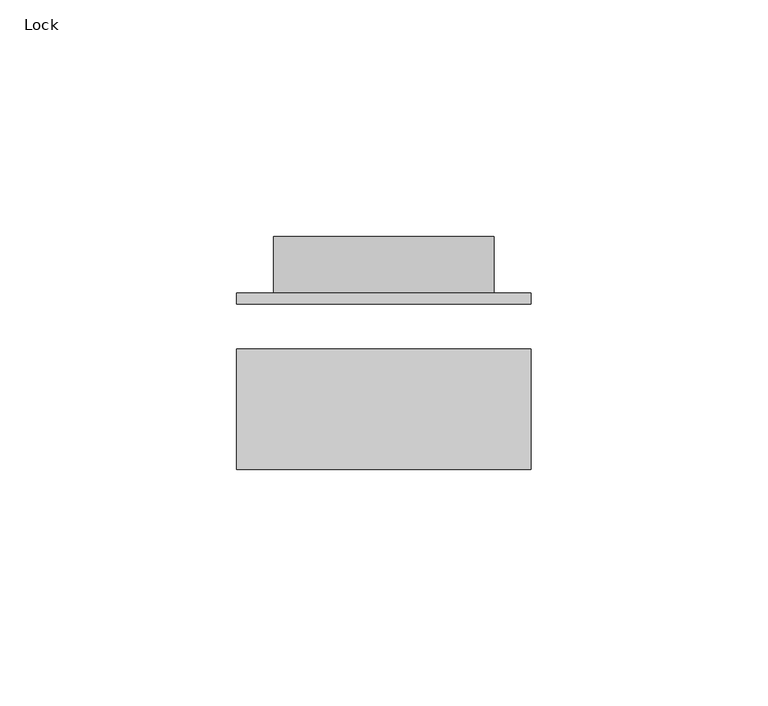
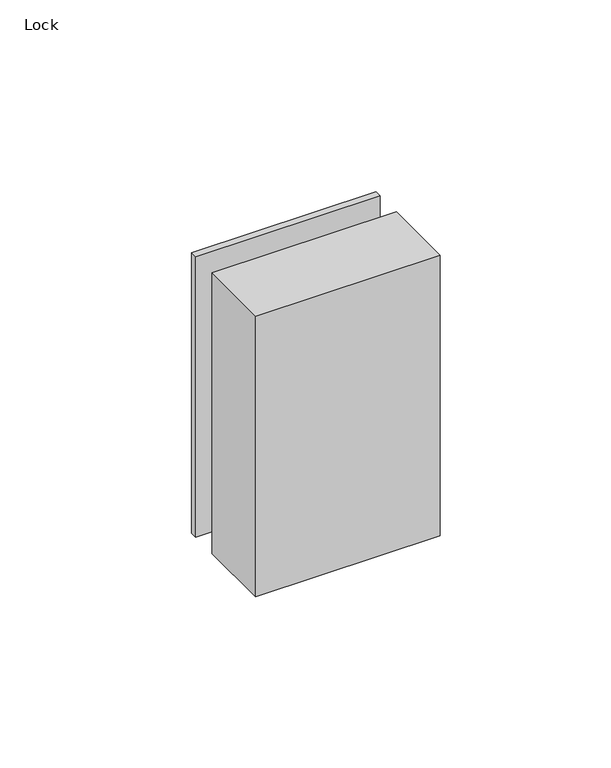
"""IFC4 building model written with IfcOpenShell, lengths in millimetres: proxy geometry, Lock."""

from ifc_helpers import new_model, si_unit, frame, origin, place, context, project, spatial, polyline, circle_curve, outline, extrude, source, transform, mapped, element, save
from ifc_brep_helpers import plane_surface, cylinder_surface, advanced_brep


def lock_e52acdd8(model_context):
    return source(origin(), model_context, "Body", "SolidModel", [
        extrude(outline(polyline([(31.1158313, 34.925), (-31.1158313, 34.925), (-31.1158313, 37.30625), (31.1158313, 37.30625), (31.1158313, 34.925)])), frame((0.0, 0.0, -31.4016254), z_axis=(0.0, 0.0, 1.0), x_axis=(1.0, 0.0, 0.0)), (0.0, 0.0, 1.0), 99.9908934),
        extrude(outline(polyline([(31.1158313, 0.0), (-31.1158313, 0.0), (-31.1158313, 25.4), (31.1158313, 25.4), (31.1158313, 0.0)])), frame((0.0, 0.0, -31.4016254), z_axis=(0.0, 0.0, 1.0), x_axis=(1.0, 0.0, 0.0)), (0.0, 0.0, 1.0), 99.9908934),
        advanced_brep(
        [(23.2394023, 49.2125, 0.0), (-23.2394023, 49.2125, 0.0), (0.0, 49.2125, 0.0), (0.0, 37.30625, 0.0), (-23.2394023, 37.30625, 0.0), (23.2394023, 37.30625, 0.0)],
        [
            (0, 1, circle_curve(frame((0.0, 49.2125, 0.0), z_axis=(0.0, 1.0, 0.0), x_axis=(-1.0, 0.0, 0.0)), 23.2394023)),
            (1, 2),
            (2, 0),
            (1, 0, circle_curve(frame((0.0, 49.2125, 0.0), z_axis=(0.0, 1.0, 0.0), x_axis=(-1.0, 0.0, 0.0)), 23.2394023)),
            (3, 4),
            (4, 5, circle_curve(frame((0.0, 37.30625, 0.0), z_axis=(0.0, -1.0, 0.0), x_axis=(-1.0, 0.0, 0.0)), 23.2394023)),
            (5, 3),
            (5, 4, circle_curve(frame((0.0, 37.30625, 0.0), z_axis=(0.0, -1.0, 0.0), x_axis=(-1.0, 0.0, 0.0)), 23.2394023)),
            (4, 1),
            (0, 5),
        ],
        [
            plane_surface(frame((0.0, 49.2125, 0.0), z_axis=(0.0, 1.0, 0.0), x_axis=(-1.0, 0.0, 0.0))),
            plane_surface(frame((0.0, 37.30625, 0.0), z_axis=(0.0, -1.0, 0.0), x_axis=(-1.0, 0.0, 0.0))),
            cylinder_surface(frame((0.0, -1504.15625, 0.0), z_axis=(0.0, -1.0, 0.0), x_axis=(-1.0, 0.0, 0.0)), 23.2394023),
        ],
        [
            (0, [[1, 2, 3]]),
            (0, [[4, -3, -2]]),
            (1, [[5, 6, 7]]),
            (1, [[-7, 8, -5]]),
            (2, [[-6, 9, -1, 10]]),
            (2, [[-8, -10, -4, -9]]),
        ],
    ),
    ])


if __name__ == "__main__":
    model = new_model("IFC4")
    model_context = context("Model", 3, world=origin())
    ifc_project = project(units=[si_unit("LENGTHUNIT", "METRE", prefix="MILLI")], contexts=[model_context])
    site = spatial("IfcSite", under=ifc_project)
    building = spatial("IfcBuilding", under=site)
    placement = place(None, origin())
    lock_shape = lock_e52acdd8(model_context)
    element("IfcBuildingElementProxy", 1, Name="Lock", ObjectType="Lock", at=placement, inside=building, context=model_context, shape_type="MappedRepresentation", body=[
        mapped(lock_shape, transform((0.0, 0.0, 0.0), x_axis=(1.0, 0.0, 0.0), y_axis=(0.0, 1.0, 0.0), z_axis=(0.0, 0.0, 1.0))),
    ])
    save(model, "model.ifc")
